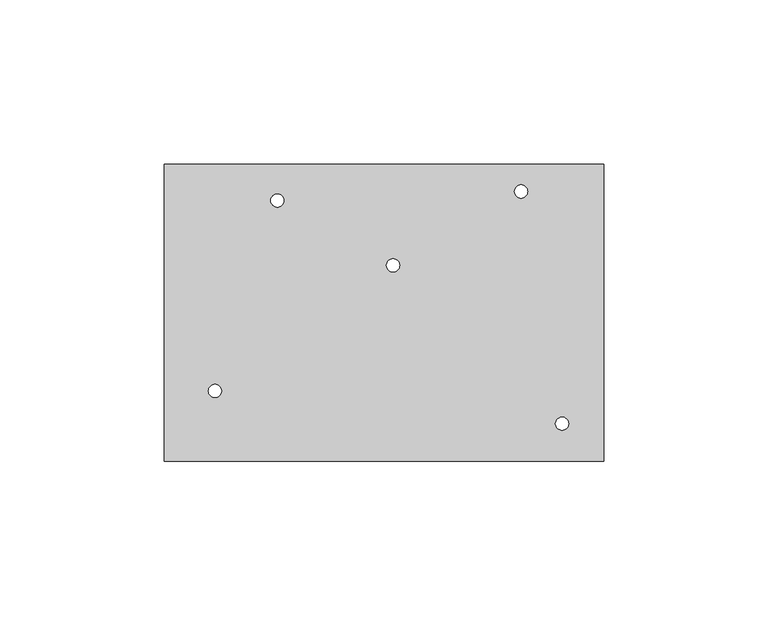
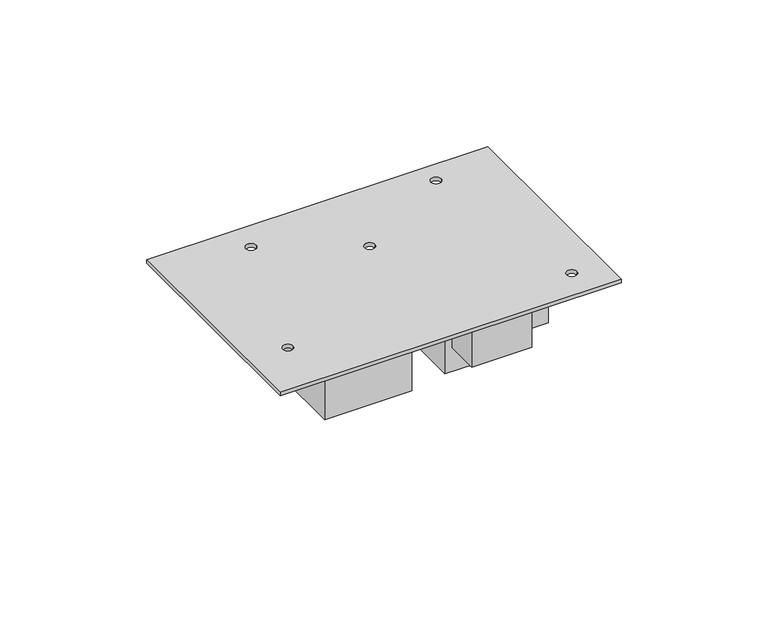
"""IFC4 building model written with IfcOpenShell, lengths in millimetres: proxy geometry."""

from ifc_helpers import new_model, si_unit, frame, origin, place, context, project, spatial, polyline, circle_curve, source, transform, mapped, element, save
from ifc_brep_helpers import plane_surface, revolved_surface, advanced_brep


def generic_models_4cf21f33(model_context):
    return source(origin(), model_context, "Body", "AdvancedBrep", [
        advanced_brep(
        [(13.5, 21.5, 1.5), (13.5, 21.5, 0.0), (17.5, 21.5, 0.0), (17.5, 21.5, 1.5), (67.75, 59.75, 1.5), (67.75, 59.75, 0.0), (71.75, 59.75, 0.0), (71.75, 59.75, 1.5), (119.25, 11.5, 1.5), (119.25, 11.5, 0.0), (123.25, 11.5, 0.0), (123.25, 11.5, 1.5), (32.5, 79.5, 1.5), (32.5, 79.5, 0.0), (36.5, 79.5, 0.0), (36.5, 79.5, 1.5), (106.75, 82.25, 1.5), (106.75, 82.25, 0.0), (110.75, 82.25, 0.0), (110.75, 82.25, 1.5), (84.9781442, 16.7867834, 0.0), (84.9781442, 30.1018605, 0.0), (84.9781442, 30.1018605, -28.0), (84.9781442, 16.7867834, -28.0), (108.6493933, 16.7867834, 0.0), (108.6493933, 16.7867834, -28.0), (108.6493933, 30.1018605, 0.0), (108.6493933, 30.1018605, -28.0), (105.9018376, 38.9785785, 0.0), (105.9018376, 69.6243907, 0.0), (105.9018376, 69.6243907, -38.0), (105.9018376, 38.9785785, -38.0), (127.8822831, 38.9785785, 0.0), (127.8822831, 38.9785785, -38.0), (127.8822831, 69.6243907, 0.0), (127.8822831, 69.6243907, -38.0), (29.392979, 48.4893478, 0.0), (29.392979, 77.4443565, 0.0), (29.392979, 77.4443565, -28.0), (29.392979, 48.4893478, -28.0), (40.1718513, 48.4893478, 0.0), (40.1718513, 48.4893478, -28.0), (40.1718513, 77.4443565, 0.0), (40.1718513, 77.4443565, -28.0), (45.8783131, 48.4893478, 0.0), (45.8783131, 77.4443565, 0.0), (45.8783131, 77.4443565, -28.0), (45.8783131, 48.4893478, -28.0), (56.445835, 48.4893478, 0.0), (56.445835, 48.4893478, -28.0), (56.445835, 77.4443565, 0.0), (56.445835, 77.4443565, -28.0), (26.011372, 14.6732791, 0.0), (26.011372, 43.2055871, 0.0), (26.011372, 43.2055871, -28.0), (26.011372, 14.6732791, -28.0), (60.2501429, 14.6732791, 0.0), (60.2501429, 14.6732791, -28.0), (60.2501429, 43.2055871, 0.0), (60.2501429, 43.2055871, -28.0), (84.9781442, 35.1742707, 0.0), (84.9781442, 71.9492454, 0.0), (84.9781442, 71.9492454, -42.0), (84.9781442, 35.1742707, -42.0), (96.6024183, 35.1742707, 0.0), (96.6024183, 35.1742707, -42.0), (96.6024183, 71.9492454, 0.0), (96.6024183, 71.9492454, -42.0), (0.0, 90.6, 0.0), (0.0, 0.0, 0.0), (0.0, 0.0, 1.5), (0.0, 90.6, 1.5), (134.0, 90.6, 0.0), (134.0, 90.6, 1.5), (134.0, 0.0, 0.0), (134.0, 0.0, 1.5)],
        [
            (0, 1),
            (1, 2, circle_curve(frame((15.5, 21.5, 0.0), z_axis=(0.0, 0.0, -1.0), x_axis=(-1.0, 0.0, 0.0)), 2.0)),
            (2, 3),
            (3, 0, circle_curve(frame((15.5, 21.5, 1.5), z_axis=(0.0, 0.0, 1.0), x_axis=(-1.0, 0.0, 0.0)), 2.0)),
            (4, 5),
            (5, 6, circle_curve(frame((69.75, 59.75, 0.0), z_axis=(0.0, 0.0, -1.0), x_axis=(-1.0, 0.0, 0.0)), 2.0)),
            (6, 7),
            (7, 4, circle_curve(frame((69.75, 59.75, 1.5), z_axis=(0.0, 0.0, 1.0), x_axis=(-1.0, 0.0, 0.0)), 2.0)),
            (8, 9),
            (9, 10, circle_curve(frame((121.25, 11.5, 0.0), z_axis=(0.0, 0.0, -1.0), x_axis=(-1.0, 0.0, 0.0)), 2.0)),
            (10, 11),
            (11, 8, circle_curve(frame((121.25, 11.5, 1.5), z_axis=(0.0, 0.0, 1.0), x_axis=(-1.0, 0.0, 0.0)), 2.0)),
            (12, 13),
            (13, 14, circle_curve(frame((34.5, 79.5, 0.0), z_axis=(0.0, 0.0, -1.0), x_axis=(-1.0, 0.0, 0.0)), 2.0)),
            (14, 15),
            (15, 12, circle_curve(frame((34.5, 79.5, 1.5), z_axis=(0.0, 0.0, 1.0), x_axis=(-1.0, 0.0, 0.0)), 2.0)),
            (16, 17),
            (17, 18, circle_curve(frame((108.75, 82.25, 0.0), z_axis=(0.0, 0.0, -1.0), x_axis=(-1.0, 0.0, 0.0)), 2.0)),
            (18, 19),
            (19, 16, circle_curve(frame((108.75, 82.25, 1.5), z_axis=(0.0, 0.0, 1.0), x_axis=(-1.0, 0.0, 0.0)), 2.0)),
            (20, 21),
            (21, 22),
            (22, 23),
            (23, 20),
            (24, 20),
            (23, 25),
            (25, 24),
            (26, 24),
            (25, 27),
            (27, 26),
            (21, 26),
            (27, 22),
            (28, 29),
            (29, 30),
            (30, 31),
            (31, 28),
            (32, 28),
            (31, 33),
            (33, 32),
            (34, 32),
            (33, 35),
            (35, 34),
            (29, 34),
            (35, 30),
            (36, 37),
            (37, 38),
            (38, 39),
            (39, 36),
            (40, 36),
            (39, 41),
            (41, 40),
            (42, 40),
            (41, 43),
            (43, 42),
            (37, 42),
            (43, 38),
            (44, 45),
            (45, 46),
            (46, 47),
            (47, 44),
            (48, 44),
            (47, 49),
            (49, 48),
            (50, 48),
            (49, 51),
            (51, 50),
            (45, 50),
            (51, 46),
            (52, 53),
            (53, 54),
            (54, 55),
            (55, 52),
            (56, 52),
            (55, 57),
            (57, 56),
            (58, 56),
            (57, 59),
            (59, 58),
            (53, 58),
            (59, 54),
            (60, 61),
            (61, 62),
            (62, 63),
            (63, 60),
            (64, 60),
            (63, 65),
            (65, 64),
            (66, 64),
            (65, 67),
            (67, 66),
            (61, 66),
            (67, 62),
            (16, 19, circle_curve(frame((108.75, 82.25, 1.5), z_axis=(0.0, 0.0, 1.0), x_axis=(-1.0, 0.0, 0.0)), 2.0)),
            (18, 17, circle_curve(frame((108.75, 82.25, 0.0), z_axis=(0.0, 0.0, -1.0), x_axis=(-1.0, 0.0, 0.0)), 2.0)),
            (12, 15, circle_curve(frame((34.5, 79.5, 1.5), z_axis=(0.0, 0.0, 1.0), x_axis=(-1.0, 0.0, 0.0)), 2.0)),
            (14, 13, circle_curve(frame((34.5, 79.5, 0.0), z_axis=(0.0, 0.0, -1.0), x_axis=(-1.0, 0.0, 0.0)), 2.0)),
            (8, 11, circle_curve(frame((121.25, 11.5, 1.5), z_axis=(0.0, 0.0, 1.0), x_axis=(-1.0, 0.0, 0.0)), 2.0)),
            (10, 9, circle_curve(frame((121.25, 11.5, 0.0), z_axis=(0.0, 0.0, -1.0), x_axis=(-1.0, 0.0, 0.0)), 2.0)),
            (4, 7, circle_curve(frame((69.75, 59.75, 1.5), z_axis=(0.0, 0.0, 1.0), x_axis=(-1.0, 0.0, 0.0)), 2.0)),
            (6, 5, circle_curve(frame((69.75, 59.75, 0.0), z_axis=(0.0, 0.0, -1.0), x_axis=(-1.0, 0.0, 0.0)), 2.0)),
            (0, 3, circle_curve(frame((15.5, 21.5, 1.5), z_axis=(0.0, 0.0, 1.0), x_axis=(-1.0, 0.0, 0.0)), 2.0)),
            (2, 1, circle_curve(frame((15.5, 21.5, 0.0), z_axis=(0.0, 0.0, -1.0), x_axis=(-1.0, 0.0, 0.0)), 2.0)),
            (68, 69),
            (69, 70),
            (70, 71),
            (71, 68),
            (72, 68),
            (71, 73),
            (73, 72),
            (74, 72),
            (73, 75),
            (75, 74),
            (69, 74),
            (75, 70),
        ],
        [
            revolved_surface(polyline([(13.5, 21.5, 1.5), (13.5, 21.5, 0.0)]), (15.5, 21.5, 0.0), (0.0, 0.0, 1.0)),
            revolved_surface(polyline([(67.75, 59.75, 1.5), (67.75, 59.75, 0.0)]), (69.75, 59.75, 0.0), (0.0, 0.0, 1.0)),
            revolved_surface(polyline([(119.25, 11.5, 1.5), (119.25, 11.5, 0.0)]), (121.25, 11.5, 0.0), (0.0, 0.0, 1.0)),
            revolved_surface(polyline([(32.5, 79.5, 1.5), (32.5, 79.5, 0.0)]), (34.5, 79.5, 0.0), (0.0, 0.0, 1.0)),
            revolved_surface(polyline([(106.75, 82.25, 1.5), (106.75, 82.25, 0.0)]), (108.75, 82.25, 0.0), (0.0, 0.0, 1.0)),
            plane_surface(frame((84.9781442, 16.7867834, 0.0), z_axis=(-1.0, 0.0, 0.0), x_axis=(0.0, 1.0, 0.0))),
            plane_surface(frame((108.6493933, 16.7867834, 0.0), z_axis=(0.0, -1.0, 0.0), x_axis=(-1.0, 0.0, 0.0))),
            plane_surface(frame((108.6493933, 30.1018605, 0.0), z_axis=(1.0, 0.0, 0.0), x_axis=(0.0, -1.0, 0.0))),
            plane_surface(frame((84.9781442, 30.1018605, 0.0), z_axis=(0.0, 1.0, 0.0), x_axis=(1.0, 0.0, 0.0))),
            plane_surface(frame((96.8137687, 23.4443219, -28.0), z_axis=(0.0, 0.0, -1.0), x_axis=(-1.0, 0.0, 0.0))),
            plane_surface(frame((105.9018376, 38.9785785, 0.0), z_axis=(-1.0, 0.0, 0.0), x_axis=(0.0, 1.0, 0.0))),
            plane_surface(frame((127.8822831, 38.9785785, 0.0), z_axis=(0.0, -1.0, 0.0), x_axis=(-1.0, 0.0, 0.0))),
            plane_surface(frame((127.8822831, 69.6243907, 0.0), z_axis=(1.0, 0.0, 0.0), x_axis=(0.0, -1.0, 0.0))),
            plane_surface(frame((105.9018376, 69.6243907, 0.0), z_axis=(0.0, 1.0, 0.0), x_axis=(1.0, 0.0, 0.0))),
            plane_surface(frame((116.8920604, 54.3014846, -38.0), z_axis=(0.0, 0.0, -1.0), x_axis=(-1.0, 0.0, 0.0))),
            plane_surface(frame((29.392979, 48.4893478, 0.0), z_axis=(-1.0, 0.0, 0.0), x_axis=(0.0, 1.0, 0.0))),
            plane_surface(frame((40.1718513, 48.4893478, 0.0), z_axis=(0.0, -1.0, 0.0), x_axis=(-1.0, 0.0, 0.0))),
            plane_surface(frame((40.1718513, 77.4443565, 0.0), z_axis=(1.0, 0.0, 0.0), x_axis=(0.0, -1.0, 0.0))),
            plane_surface(frame((29.392979, 77.4443565, 0.0), z_axis=(0.0, 1.0, 0.0), x_axis=(1.0, 0.0, 0.0))),
            plane_surface(frame((34.7824151, 62.9668522, -28.0), z_axis=(0.0, 0.0, -1.0), x_axis=(-1.0, 0.0, 0.0))),
            plane_surface(frame((45.8783131, 48.4893478, 0.0), z_axis=(-1.0, 0.0, 0.0), x_axis=(0.0, 1.0, 0.0))),
            plane_surface(frame((56.445835, 48.4893478, 0.0), z_axis=(0.0, -1.0, 0.0), x_axis=(-1.0, 0.0, 0.0))),
            plane_surface(frame((56.445835, 77.4443565, 0.0), z_axis=(1.0, 0.0, 0.0), x_axis=(0.0, -1.0, 0.0))),
            plane_surface(frame((45.8783131, 77.4443565, 0.0), z_axis=(0.0, 1.0, 0.0), x_axis=(1.0, 0.0, 0.0))),
            plane_surface(frame((51.1620741, 62.9668522, -28.0), z_axis=(0.0, 0.0, -1.0), x_axis=(-1.0, 0.0, 0.0))),
            plane_surface(frame((26.011372, 14.6732791, 0.0), z_axis=(-1.0, 0.0, 0.0), x_axis=(0.0, 1.0, 0.0))),
            plane_surface(frame((60.2501429, 14.6732791, 0.0), z_axis=(0.0, -1.0, 0.0), x_axis=(-1.0, 0.0, 0.0))),
            plane_surface(frame((60.2501429, 43.2055871, 0.0), z_axis=(1.0, 0.0, 0.0), x_axis=(0.0, -1.0, 0.0))),
            plane_surface(frame((26.011372, 43.2055871, 0.0), z_axis=(0.0, 1.0, 0.0), x_axis=(1.0, 0.0, 0.0))),
            plane_surface(frame((43.1307574, 28.9394331, -28.0), z_axis=(0.0, 0.0, -1.0), x_axis=(-1.0, 0.0, 0.0))),
            plane_surface(frame((84.9781442, 35.1742707, 0.0), z_axis=(-1.0, 0.0, 0.0), x_axis=(0.0, 1.0, 0.0))),
            plane_surface(frame((96.6024183, 35.1742707, 0.0), z_axis=(0.0, -1.0, 0.0), x_axis=(-1.0, 0.0, 0.0))),
            plane_surface(frame((96.6024183, 71.9492454, 0.0), z_axis=(1.0, 0.0, 0.0), x_axis=(0.0, -1.0, 0.0))),
            plane_surface(frame((84.9781442, 71.9492454, 0.0), z_axis=(0.0, 1.0, 0.0), x_axis=(1.0, 0.0, 0.0))),
            plane_surface(frame((90.7902812, 53.5617581, -42.0), z_axis=(0.0, 0.0, -1.0), x_axis=(-1.0, 0.0, 0.0))),
            plane_surface(frame((0.0, 90.6, 0.0), z_axis=(-1.0, 0.0, 0.0), x_axis=(0.0, -1.0, 0.0))),
            plane_surface(frame((134.0, 90.6, 0.0), z_axis=(0.0, 1.0, 0.0), x_axis=(-1.0, 0.0, 0.0))),
            plane_surface(frame((134.0, 0.0, 0.0), z_axis=(1.0, 0.0, 0.0), x_axis=(0.0, 1.0, 0.0))),
            plane_surface(frame((0.0, 0.0, 0.0), z_axis=(0.0, -1.0, 0.0), x_axis=(1.0, 0.0, 0.0))),
            plane_surface(frame((67.0, 45.3, 1.5), z_axis=(0.0, 0.0, 1.0), x_axis=(1.0, 0.0, 0.0))),
            plane_surface(frame((67.0, 45.3, 0.0), z_axis=(0.0, 0.0, -1.0), x_axis=(1.0, 0.0, 0.0))),
        ],
        [
            (0, [[1, 2, 3, 4]]),
            (1, [[5, 6, 7, 8]]),
            (2, [[9, 10, 11, 12]]),
            (3, [[13, 14, 15, 16]]),
            (4, [[17, 18, 19, 20]]),
            (5, [[21, 22, 23, 24]]),
            (6, [[25, -24, 26, 27]]),
            (7, [[28, -27, 29, 30]]),
            (8, [[31, -30, 32, -22]]),
            (9, [[-32, -29, -26, -23]]),
            (10, [[33, 34, 35, 36]]),
            (11, [[37, -36, 38, 39]]),
            (12, [[40, -39, 41, 42]]),
            (13, [[43, -42, 44, -34]]),
            (14, [[-44, -41, -38, -35]]),
            (15, [[45, 46, 47, 48]]),
            (16, [[49, -48, 50, 51]]),
            (17, [[52, -51, 53, 54]]),
            (18, [[55, -54, 56, -46]]),
            (19, [[-56, -53, -50, -47]]),
            (20, [[57, 58, 59, 60]]),
            (21, [[61, -60, 62, 63]]),
            (22, [[64, -63, 65, 66]]),
            (23, [[67, -66, 68, -58]]),
            (24, [[-68, -65, -62, -59]]),
            (25, [[69, 70, 71, 72]]),
            (26, [[73, -72, 74, 75]]),
            (27, [[76, -75, 77, 78]]),
            (28, [[79, -78, 80, -70]]),
            (29, [[-80, -77, -74, -71]]),
            (30, [[81, 82, 83, 84]]),
            (31, [[85, -84, 86, 87]]),
            (32, [[88, -87, 89, 90]]),
            (33, [[91, -90, 92, -82]]),
            (34, [[-92, -89, -86, -83]]),
            (4, [[-17, 93, -19, 94]]),
            (3, [[-13, 95, -15, 96]]),
            (2, [[-9, 97, -11, 98]]),
            (1, [[-5, 99, -7, 100]]),
            (0, [[-1, 101, -3, 102]]),
            (35, [[103, 104, 105, 106]]),
            (36, [[107, -106, 108, 109]]),
            (37, [[110, -109, 111, 112]]),
            (38, [[113, -112, 114, -104]]),
            (39, [[-114, -111, -108, -105], [-93, -20], [-95, -16], [-97, -12], [-99, -8], [-101, -4]]),
            (40, [[-113, -103, -107, -110], [-2, -102], [-6, -100], [-10, -98], [-14, -96], [-18, -94], [-21, -25, -28, -31], [-33, -37, -40, -43], [-45, -49, -52, -55], [-57, -61, -64, -67], [-69, -73, -76, -79], [-81, -85, -88, -91]]),
        ],
    ),
    ])


if __name__ == "__main__":
    model = new_model("IFC4")
    model_context = context("Model", 3, world=origin())
    ifc_project = project(units=[si_unit("LENGTHUNIT", "METRE", prefix="MILLI")], contexts=[model_context])
    site = spatial("IfcSite", under=ifc_project)
    building = spatial("IfcBuilding", under=site)
    placement = place(None, origin())
    generic_models_shape = generic_models_4cf21f33(model_context)
    element("IfcBuildingElementProxy", 1, Name="Generic Models", at=placement, inside=building, context=model_context, shape_type="MappedRepresentation", body=[
        mapped(generic_models_shape, transform((0.0, 0.0, 0.0), x_axis=(1.0, 0.0, 0.0), y_axis=(0.0, 1.0, 0.0), z_axis=(0.0, 0.0, 1.0))),
    ])
    save(model, "model.ifc")
